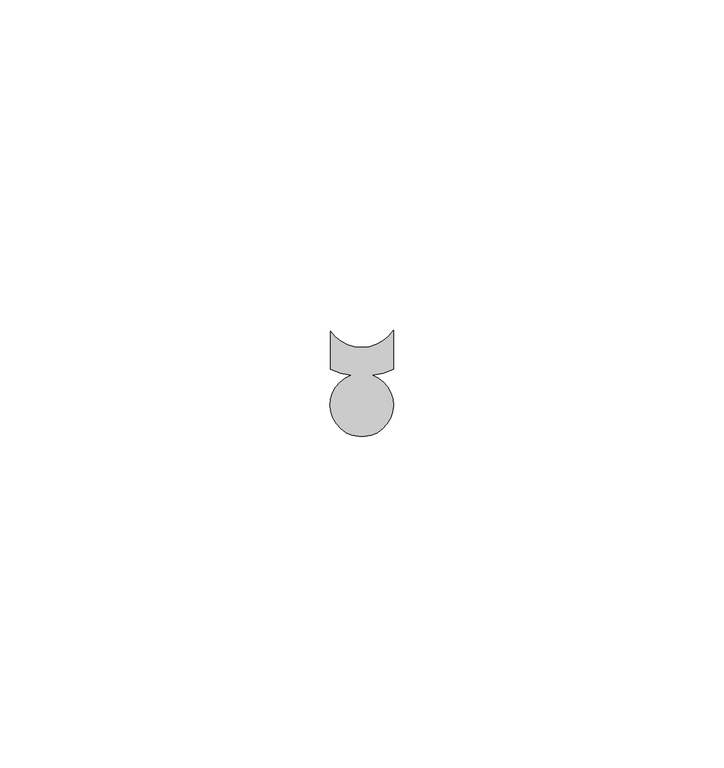
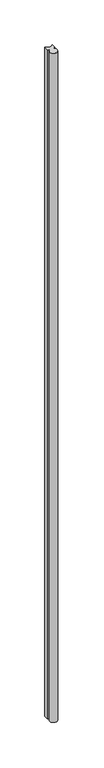
"""IFC4 building model written with IfcOpenShell, lengths in millimetres: proxy geometry."""

import ifcopenshell
import ifcopenshell.guid

model = None  # the IFC model being written
_history = None  # IfcOwnerHistory: only IFC2X3 demands one
_inside = {}  # id of a spatial element -> (the spatial element, [elements in it])
_under = {}  # id of a project, library or spatial element -> (it, [spatial elements below it])
_declared = {}  # id of a project -> (the project, [libraries it declares])
_typed = {}  # id of a type object -> (the type object, [elements of that type])
_made_of = {}  # id of a material, layer set ... -> (it, [elements and type objects made of it])


def new_model(schema):
    """Start an empty IFC model of exactly this schema.

    Asked for "IFC4X3", IfcOpenShell would pick the latest addendum, in which some entities
    have other attributes; the version numbers below select the first issue.
    IFC2X3 requires an IfcOwnerHistory on every rooted entity: one is made here for all.
    """
    global model, _history
    if schema == "IFC4X3":
        model = ifcopenshell.file(schema_version=(4, 3, 0, 0))
    else:
        model = ifcopenshell.file(schema=schema)
    _inside.clear()
    _under.clear()
    _declared.clear()
    _typed.clear()
    _made_of.clear()
    _history = None
    if model.schema == "IFC2X3":
        org = make("IfcOrganization", Name="unknown")
        user = make(
            "IfcPersonAndOrganization",
            ThePerson=make("IfcPerson", FamilyName="unknown"),
            TheOrganization=org,
        )
        app = make(
            "IfcApplication",
            ApplicationDeveloper=org,
            Version="unknown",
            ApplicationFullName="unknown",
            ApplicationIdentifier="unknown",
        )
        _history = make(
            "IfcOwnerHistory",
            OwningUser=user,
            OwningApplication=app,
            ChangeAction="ADDED",
            CreationDate=0,
        )
    return model


def make(cls, **values):
    """One entity of the class cls with the attributes given. An attribute that is None is left unset."""
    return model.create_entity(
        cls, **{name: value for name, value in values.items() if value is not None}
    )


def rooted(cls, **values):
    """An entity with a GlobalId (a new one), such as an element, a storey or a relation."""
    return make(cls, GlobalId=ifcopenshell.guid.new(), OwnerHistory=_history, **values)


def si_unit(unit_type, name, prefix=None):
    """IfcSIUnit, for example si_unit("LENGTHUNIT", "METRE", prefix="MILLI")."""
    return make("IfcSIUnit", UnitType=unit_type, Prefix=prefix, Name=name)


def assignment(units):
    """IfcUnitAssignment: the units of a project."""
    return None if units is None else make("IfcUnitAssignment", Units=units)


def point(xyz):
    """IfcCartesianPoint."""
    return None if xyz is None else make("IfcCartesianPoint", Coordinates=xyz)


def direction(xyz):
    """IfcDirection."""
    return None if xyz is None else make("IfcDirection", DirectionRatios=xyz)


def frame(location, z_axis=None, x_axis=None):
    """IfcAxis2Placement3D, a coordinate frame: its origin and axes. An axis left out is left unset."""
    return make(
        "IfcAxis2Placement3D",
        Location=point(location),
        Axis=direction(z_axis),
        RefDirection=direction(x_axis),
    )


def frame_2d(location, x_axis=None):
    """IfcAxis2Placement2D, a coordinate frame in the plane: its origin and x axis."""
    return make(
        "IfcAxis2Placement2D", Location=point(location), RefDirection=direction(x_axis)
    )


def origin():
    """The frame at (0, 0, 0) with its axes left unset."""
    return frame((0.0, 0.0, 0.0))


def place(relative_to, where):
    """IfcLocalPlacement: puts the frame where relative to a parent placement (None: the world)."""
    return make(
        "IfcLocalPlacement", PlacementRelTo=relative_to, RelativePlacement=where
    )


def context(
    kind, dimensions, precision=None, world=None, true_north=None, identifier=None
):
    """IfcGeometricRepresentationContext, for example the 3D "Model" context."""
    return make(
        "IfcGeometricRepresentationContext",
        ContextIdentifier=identifier,
        ContextType=kind,
        CoordinateSpaceDimension=dimensions,
        Precision=precision,
        WorldCoordinateSystem=world,
        TrueNorth=true_north,
    )


def project(units=None, contexts=None):
    """IfcProject with its units and contexts."""
    return rooted(
        "IfcProject",
        Name="project",
        RepresentationContexts=contexts,
        UnitsInContext=assignment(units),
    )


def spatial(cls, under=None, at=None, **own):
    """A site, building, storey or space (cls), placed at a placement, below another one or the project."""
    s = rooted(cls, ObjectPlacement=at, **own)
    if under is not None:
        _under.setdefault(under.id(), (under, []))[1].append(s)
    return s


def polyline(points):
    """IfcPolyline through the points."""
    return make("IfcPolyline", Points=[point(p) for p in points])


def circle_curve(where, radius):
    """IfcCircle in the frame where."""
    return make("IfcCircle", Position=where, Radius=radius)


def trimmed(basis, trim1, trim2, sense, master):
    """IfcTrimmedCurve: the piece of a basis curve between two trims."""
    return make(
        "IfcTrimmedCurve",
        BasisCurve=basis,
        Trim1=trim1,
        Trim2=trim2,
        SenseAgreement=sense,
        MasterRepresentation=master,
    )


def segment(curve, same_sense, transition):
    """IfcCompositeCurveSegment."""
    return make(
        "IfcCompositeCurveSegment",
        Transition=transition,
        SameSense=same_sense,
        ParentCurve=curve,
    )


def composite_curve(segments, self_intersect=None):
    """IfcCompositeCurve: segments joined end to end."""
    return make("IfcCompositeCurve", Segments=segments, SelfIntersect=self_intersect)


def outline(outer, holes=None, kind="AREA"):
    """IfcArbitraryClosedProfileDef: a profile drawn as a closed curve; with holes, ...WithVoids."""
    if holes is None:
        return make("IfcArbitraryClosedProfileDef", ProfileType=kind, OuterCurve=outer)
    return make(
        "IfcArbitraryProfileDefWithVoids",
        ProfileType=kind,
        OuterCurve=outer,
        InnerCurves=holes,
    )


def extrude(swept, where, along, depth):
    """IfcExtrudedAreaSolid: the profile swept, set in the frame where, extruded along a direction by depth."""
    return make(
        "IfcExtrudedAreaSolid",
        SweptArea=swept,
        Position=where,
        ExtrudedDirection=direction(along),
        Depth=depth,
    )


def shape(context_of_items, identifier, shape_type, items):
    """IfcShapeRepresentation: the items that make up one representation, for example the "Body"."""
    return make(
        "IfcShapeRepresentation",
        ContextOfItems=context_of_items,
        RepresentationIdentifier=identifier,
        RepresentationType=shape_type,
        Items=items,
    )


def source(mapping_origin, context_of_items, identifier, shape_type, items):
    """IfcRepresentationMap: a shape defined once, which mapped items show again and again."""
    return make(
        "IfcRepresentationMap",
        MappingOrigin=mapping_origin,
        MappedRepresentation=shape(context_of_items, identifier, shape_type, items),
    )


def transform(
    local_origin,
    x_axis=None,
    y_axis=None,
    z_axis=None,
    scale=None,
    scale2=None,
    scale3=None,
    uniform=True,
):
    """IfcCartesianTransformationOperator3D, or its non-uniform kind. x_axis, y_axis, z_axis: its Axis1, 2, 3."""
    if uniform:
        return make(
            "IfcCartesianTransformationOperator3D",
            Axis1=direction(x_axis),
            Axis2=direction(y_axis),
            LocalOrigin=point(local_origin),
            Scale=scale,
            Axis3=direction(z_axis),
        )
    return make(
        "IfcCartesianTransformationOperator3DnonUniform",
        Axis1=direction(x_axis),
        Axis2=direction(y_axis),
        LocalOrigin=point(local_origin),
        Scale=scale,
        Axis3=direction(z_axis),
        Scale2=scale2,
        Scale3=scale3,
    )


def mapped(mapping_source, mapping_target):
    """IfcMappedItem: shows the shape of a source again, moved by a transform."""
    return make(
        "IfcMappedItem", MappingSource=mapping_source, MappingTarget=mapping_target
    )


def made_of(thing, what):
    """Note that an element or type object is made of a material, layer set ...; save() writes the relation."""
    if what is not None:
        _made_of.setdefault(what.id(), (what, []))[1].append(thing)
    return thing


def element(
    cls,
    number,
    at=None,
    inside=None,
    cuts=None,
    type_object=None,
    material=None,
    context=None,
    identifier="Body",
    shape_type=None,
    held_by="IfcProductDefinitionShape",
    body=None,
    shapes=None,
    **own,
):
    """One element of the class cls, such as IfcWall. Its Tag is "e" and its number.

    at: its placement. inside: the storey or other place that contains it. cuts: it is an
    opening in that element (IfcRelVoidsElement). A single representation is given by context,
    identifier, shape_type and body (its items); several are given by shapes. held_by: the class
    of the entity that holds the representations. save() writes the other relations.
    """
    e = rooted(cls, Tag="e%d" % number, ObjectPlacement=at, **own)
    if body is not None:
        shapes = [shape(context, identifier, shape_type, body)]
    if shapes is not None:
        e.Representation = make(held_by, Representations=shapes)
    if inside is not None:
        _inside.setdefault(inside.id(), (inside, []))[1].append(e)
    if cuts is not None:
        rooted(
            "IfcRelVoidsElement", RelatingBuildingElement=cuts, RelatedOpeningElement=e
        )
    if type_object is not None:
        _typed.setdefault(type_object.id(), (type_object, []))[1].append(e)
    return made_of(e, material)


def aggregate(whole, parts):
    """IfcRelAggregates: a whole, such as a stair, and the parts it consists of."""
    return rooted("IfcRelAggregates", RelatingObject=whole, RelatedObjects=parts)


def save(model, path):
    """Write the relations noted so far, then the file.

    IfcRelAggregates (storeys below a building ...), IfcRelContainedInSpatialStructure (elements
    in a storey), IfcRelDefinesByType, IfcRelAssociatesMaterial and IfcRelDeclares: one each for
    every whole, place, type object, material and project.
    """
    for whole, parts in _under.values():
        aggregate(whole, parts)
    for where, things in _inside.values():
        rooted(
            "IfcRelContainedInSpatialStructure",
            RelatedElements=things,
            RelatingStructure=where,
        )
    for kind, things in _typed.values():
        rooted("IfcRelDefinesByType", RelatedObjects=things, RelatingType=kind)
    for what, things in _made_of.values():
        rooted("IfcRelAssociatesMaterial", RelatedObjects=things, RelatingMaterial=what)
    for by, libraries in _declared.values():
        rooted("IfcRelDeclares", RelatingContext=by, RelatedDefinitions=libraries)
    model.write(path)


def generic_models_b5de1d8e(model_context):
    return source(origin(), model_context, "Body", "SweptSolid", [
        extrude(outline(composite_curve([segment(trimmed(circle_curve(frame_2d((37130.5961611, -23896.3200139)), 4.778447), [point((37132.2506049, -23891.8371163))], [point((37128.9510536, -23891.8336817))], False, "CARTESIAN"), True, "CONTINUOUS"), segment(trimmed(circle_curve(frame_2d((37130.6121081, -23881.0000032)), 10.9602779), [point((37128.9510536, -23891.8336817))], [point((37125.8496081, -23890.8714917))], False, "CARTESIAN"), True, "CONTINUOUS"), segment(polyline([(37125.8496081, -23890.8714917), (37125.8496081, -23885.1229183)]), True, "CONTINUOUS"), segment(trimmed(circle_curve(frame_2d((37130.5792987, -23881.8657239)), 5.7427597), [point((37125.8496081, -23885.1229183))], [point((37135.3710168, -23885.0309611))], True, "CARTESIAN"), True, "CONTINUOUS"), segment(polyline([(37135.3710168, -23885.0309611), (37135.3710168, -23890.8732235)]), True, "CONTINUOUS"), segment(trimmed(circle_curve(frame_2d((37130.6121081, -23881.0000032)), 10.9602779), [point((37135.3710168, -23890.8732235))], [point((37132.2506049, -23891.8371163))], False, "CARTESIAN"), True, "CONTINUOUS")], self_intersect=False)), frame((0.0, 0.0, 1524.0), z_axis=(0.0, 0.0, 1.0), x_axis=(1.0, 0.0, 0.0)), (0.0, 0.0, 1.0), 914.4),
    ])


if __name__ == "__main__":
    model = new_model("IFC4")
    model_context = context("Model", 3, world=origin())
    ifc_project = project(units=[si_unit("LENGTHUNIT", "METRE", prefix="MILLI")], contexts=[model_context])
    site = spatial("IfcSite", under=ifc_project)
    building = spatial("IfcBuilding", under=site)
    placement = place(None, origin())
    generic_models_shape = generic_models_b5de1d8e(model_context)
    element("IfcBuildingElementProxy", 1, Name="Generic Models", at=placement, inside=building, context=model_context, shape_type="MappedRepresentation", body=[
        mapped(generic_models_shape, transform((0.0, 0.0, 0.0), x_axis=(1.0, 0.0, 0.0), y_axis=(0.0, 1.0, 0.0), z_axis=(0.0, 0.0, 1.0))),
    ])
    save(model, "model.ifc")
